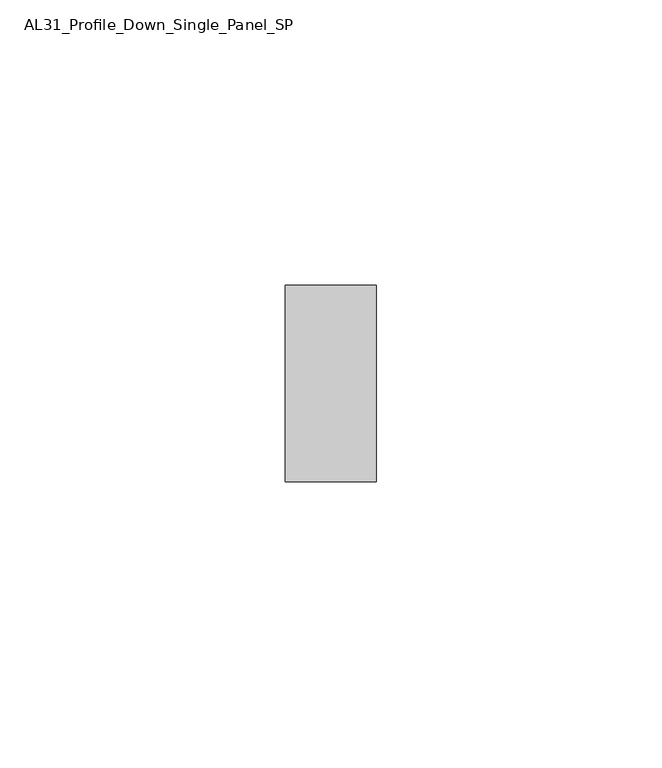
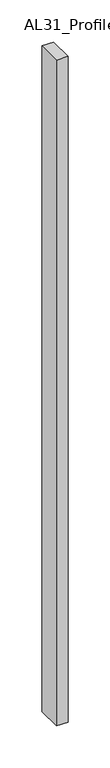
"""IFC4 building model written with IfcOpenShell, lengths in millimetres: member geometry, AL31_Profile_Down_Single_Panel_SP."""

from ifc_helpers import new_model, si_unit, frame, origin, place, context, project, spatial, polyline, outline, extrude, source, transform, mapped, element, save


def al31_profile_down_single_panel_sp_63e56ed8(model_context):
    return source(origin(), model_context, "Body", "SweptSolid", [
        extrude(outline(polyline([(0.0, -17.25), (-16.0, -17.25), (-16.0, 17.25), (0.0, 17.25), (0.0, -17.25)])), frame((0.0, 0.0, -965.9810055), z_axis=(0.0, 0.0, 1.0), x_axis=(1.0, 0.0, 0.0)), (0.0, 0.0, 1.0), 965.9810055),
    ])


if __name__ == "__main__":
    model = new_model("IFC4")
    model_context = context("Model", 3, world=origin())
    ifc_project = project(units=[si_unit("LENGTHUNIT", "METRE", prefix="MILLI")], contexts=[model_context])
    site = spatial("IfcSite", under=ifc_project)
    building = spatial("IfcBuilding", under=site)
    placement = place(None, origin())
    al31_profile_down_single_panel_sp_shape = al31_profile_down_single_panel_sp_63e56ed8(model_context)
    element("IfcMember", 1, ObjectType="AL31_Profile_Down_Single_Panel_SP", at=placement, inside=building, context=model_context, shape_type="MappedRepresentation", body=[
        mapped(al31_profile_down_single_panel_sp_shape, transform((0.0, 0.0, 0.0), x_axis=(1.0, 0.0, 0.0), y_axis=(0.0, 1.0, 0.0), z_axis=(0.0, 0.0, 1.0))),
    ])
    save(model, "model.ifc")
